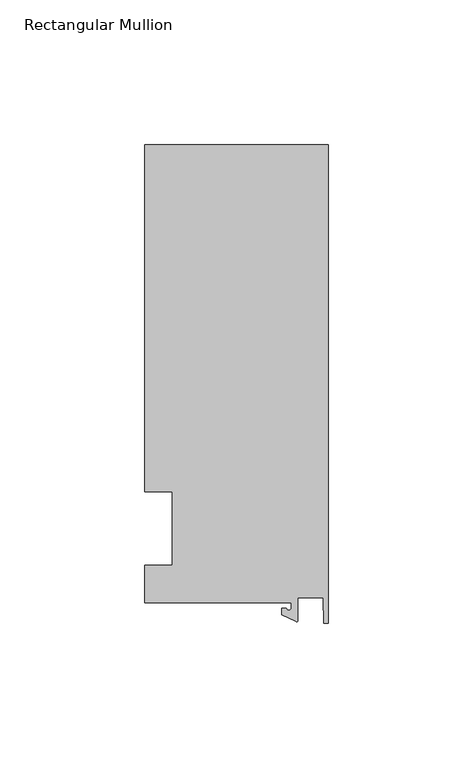
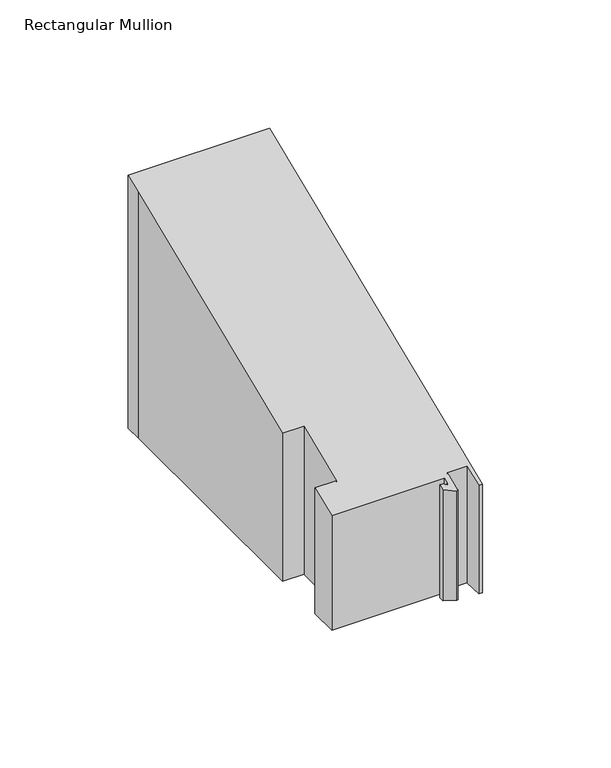
"""IFC4 building model written with IfcOpenShell, lengths in millimetres: member geometry, Rectangular Mullion."""

from ifc_helpers import new_model, si_unit, frame, origin, place, context, project, spatial, polyline, circle_curve, ellipse_curve, source, transform, mapped, element, save
from ifc_brep_helpers import plane_surface, cylinder_surface, revolved_surface, advanced_brep


def rectangular_mullion_ae9329bf(model_context):
    return source(origin(), model_context, "Body", "AdvancedBrep", [
        advanced_brep(
        [(-12.8216721, -25.5984375, -65.0875), (-63.5, -25.5984375, -65.0875), (-63.5, -12.7, -65.0875), (-53.975, -12.7, -65.0875), (-53.975, 12.7, -65.0875), (-63.5, 12.7, -65.0875), (-63.5, 125.075512, -65.0875), (-63.5, 132.822512, -65.0875), (0.0, 132.822512, -65.0875), (0.0, -32.810012, -65.0875), (-1.5566453, -32.810012, -65.0875), (-1.7144124, -23.9227662, -65.0875), (-10.4340721, -23.9227662, -65.0875), (-10.4340721, -31.6795354, -65.0875), (-11.1567622, -32.1399398, -65.0875), (-15.9966721, -29.8830527, -65.0875), (-15.9966721, -27.5208534, -65.0875), (-14.4091721, -27.5208534, -65.0875), (-12.8216721, -27.5208534, -65.0875), (-12.8216721, -27.5208534, -11.3995107), (-12.8216721, -25.5984375, -10.60322), (-14.4091721, -27.5208534, -11.3995107), (-15.9966721, -27.5208534, -11.3995107), (-15.9966721, -29.8830527, -12.3779657), (-11.1567622, -32.1399398, -13.312799), (-10.4340721, -31.6795354, -13.1220932), (-10.4340721, -23.9227662, -9.9091342), (-1.7144124, -23.9227662, -9.9091342), (-1.5566453, -32.810012, -13.5903519), (0.0, -32.810012, -13.5903519), (0.0, 132.822512, 55.0168859), (-63.5, 132.822512, 55.0168859), (-63.5, 125.075512, 51.8079734), (-63.5, 12.7, 5.2605122), (-53.975, 12.7, 5.2605122), (-53.975, -12.7, -5.2605122), (-63.5, -12.7, -5.2605122), (-63.5, -25.5984375, -10.60322)],
        [
            (0, 1),
            (1, 2),
            (2, 3),
            (3, 4),
            (4, 5),
            (5, 6),
            (6, 7),
            (7, 8),
            (8, 9),
            (9, 10),
            (10, 11),
            (11, 12),
            (12, 13),
            (13, 14, circle_curve(frame((-10.9420721, -31.6795354, -65.0875), z_axis=(0.0, 0.0, -1.0), x_axis=(-1.0, 0.0, 0.0)), 0.508)),
            (14, 15),
            (15, 16),
            (16, 17),
            (17, 18, circle_curve(frame((-13.6154221, -27.5208534, -65.0875), z_axis=(0.0, 0.0, 1.0), x_axis=(-1.0, 0.0, 0.0)), 0.79375)),
            (18, 0),
            (19, 20),
            (20, 0),
            (18, 19),
            (21, 19, ellipse_curve(frame((-13.6154221, -27.5208534, -11.3995107), z_axis=(0.0, -0.3826834323650925, 0.9238795325112856), x_axis=(0.0, -0.9238795325112857, -0.38268343236509245)), 0.8591488, 0.79375)),
            (17, 21),
            (22, 21),
            (16, 22),
            (23, 22),
            (15, 23),
            (24, 23),
            (14, 24),
            (25, 24, ellipse_curve(frame((-10.9420721, -31.6795354, -13.1220932), z_axis=(0.0, 0.3826834323650925, -0.9238795325112856), x_axis=(0.0, 0.9238795325112857, 0.38268343236509245)), 0.5498552, 0.508)),
            (13, 25),
            (26, 25),
            (12, 26),
            (27, 26),
            (11, 27),
            (28, 27),
            (10, 28),
            (29, 28),
            (9, 29),
            (30, 29),
            (8, 30),
            (31, 30),
            (7, 31),
            (32, 31),
            (6, 32),
            (33, 32),
            (5, 33),
            (34, 33),
            (4, 34),
            (35, 34),
            (3, 35),
            (36, 35),
            (2, 36),
            (37, 36),
            (1, 37),
            (20, 37),
        ],
        [
            plane_surface(frame((0.0, -147.2211591, -65.0875), z_axis=(0.0, 0.0, -1.0), x_axis=(-1.0, 0.0, 0.0))),
            plane_surface(frame((-12.8216721, -25.5984375, 0.0), z_axis=(-1.0, 0.0, 0.0), x_axis=(0.0, 0.0, -1.0))),
            revolved_surface(polyline([(-14.4091721, -27.5208534, -65.0875), (-14.4091721, -27.5208534, -11.07072868830365)]), (-13.6154221, -27.5208534, 0.0), (0.0, 0.0, -1.0)),
            plane_surface(frame((-14.4091721, -27.5208534, 0.0), z_axis=(0.0, 1.0, 0.0), x_axis=(0.0, 0.0, -1.0))),
            plane_surface(frame((-15.9966721, -27.5208534, 0.0), z_axis=(-1.0, 0.0, 0.0), x_axis=(0.0, 0.0, -1.0))),
            plane_surface(frame((-15.9966721, -29.8830527, 0.0), z_axis=(-0.4226182617406985, -0.9063077870366505, 0.0), x_axis=(0.0, 0.0, -1.0))),
            cylinder_surface(frame((-10.9420721, -31.6795354, 0.0), z_axis=(0.0, 0.0, 1.0), x_axis=(-1.0, 0.0, 0.0)), 0.508),
            plane_surface(frame((-10.4340721, -31.6795354, 0.0), z_axis=(1.0, 0.0, 0.0), x_axis=(0.0, 0.0, -1.0))),
            plane_surface(frame((-10.4340721, -23.9227662, 0.0), z_axis=(0.0, -1.0, 0.0), x_axis=(0.0, 0.0, -1.0))),
            plane_surface(frame((-1.7144124, -23.9227662, 0.0), z_axis=(-0.9998424690407919, -0.017749284560600327, 0.0), x_axis=(0.0, 0.0, -1.0))),
            plane_surface(frame((-1.5566453, -32.810012, 0.0), z_axis=(0.0, -1.0, 0.0), x_axis=(0.0, 0.0, -1.0))),
            plane_surface(frame((0.0, -32.810012, 0.0), z_axis=(1.0, 0.0, 0.0), x_axis=(0.0, 0.0, -1.0))),
            plane_surface(frame((0.0, 132.822512, 0.0), z_axis=(0.0, 1.0, 0.0), x_axis=(0.0, 0.0, -1.0))),
            plane_surface(frame((-63.5, 132.822512, 0.0), z_axis=(-1.0, 0.0, 0.0), x_axis=(0.0, 0.0, -1.0))),
            plane_surface(frame((-63.5, 125.075512, 0.0), z_axis=(-1.0, 0.0, 0.0), x_axis=(0.0, 0.0, -1.0))),
            plane_surface(frame((-63.5, 12.7, 0.0), z_axis=(0.0, -1.0, 0.0), x_axis=(0.0, 0.0, -1.0))),
            plane_surface(frame((-53.975, 12.7, 0.0), z_axis=(-1.0, 0.0, 0.0), x_axis=(0.0, 0.0, -1.0))),
            plane_surface(frame((-53.975, -12.7, 0.0), z_axis=(0.0, 1.0, 0.0), x_axis=(0.0, 0.0, -1.0))),
            plane_surface(frame((-63.5, -12.7, 0.0), z_axis=(-1.0, 0.0, 0.0), x_axis=(0.0, 0.0, -1.0))),
            plane_surface(frame((-63.5, -25.5984375, 0.0), z_axis=(0.0, -1.0, 0.0), x_axis=(0.0, 0.0, -1.0))),
            plane_surface(frame((304.8, 0.0, 0.0), z_axis=(0.0, -0.3826834323650925, 0.9238795325112856), x_axis=(0.0, -0.9238795325112856, -0.3826834323650925))),
        ],
        [
            (0, [[1, 2, 3, 4, 5, 6, 7, 8, 9, 10, 11, 12, 13, 14, 15, 16, 17, 18, 19]]),
            (1, [[20, 21, -19, 22]]),
            (2, [[23, -22, -18, 24]]),
            (3, [[25, -24, -17, 26]]),
            (4, [[27, -26, -16, 28]]),
            (5, [[29, -28, -15, 30]]),
            (6, [[31, -30, -14, 32]]),
            (7, [[33, -32, -13, 34]]),
            (8, [[35, -34, -12, 36]]),
            (9, [[37, -36, -11, 38]]),
            (10, [[39, -38, -10, 40]]),
            (11, [[41, -40, -9, 42]]),
            (12, [[43, -42, -8, 44]]),
            (13, [[45, -44, -7, 46]]),
            (14, [[47, -46, -6, 48]]),
            (15, [[49, -48, -5, 50]]),
            (16, [[51, -50, -4, 52]]),
            (17, [[53, -52, -3, 54]]),
            (18, [[55, -54, -2, 56]]),
            (19, [[57, -56, -1, -21]]),
            (20, [[-20, -23, -25, -27, -29, -31, -33, -35, -37, -39, -41, -43, -45, -47, -49, -51, -53, -55, -57]]),
        ],
    ),
    ])


if __name__ == "__main__":
    model = new_model("IFC4")
    model_context = context("Model", 3, world=origin())
    ifc_project = project(units=[si_unit("LENGTHUNIT", "METRE", prefix="MILLI")], contexts=[model_context])
    site = spatial("IfcSite", under=ifc_project)
    building = spatial("IfcBuilding", under=site)
    placement = place(None, origin())
    rectangular_mullion_shape = rectangular_mullion_ae9329bf(model_context)
    element("IfcMember", 1, ObjectType="Rectangular Mullion", at=placement, inside=building, context=model_context, shape_type="MappedRepresentation", body=[
        mapped(rectangular_mullion_shape, transform((0.0, 0.0, 0.0), x_axis=(1.0, 0.0, 0.0), y_axis=(0.0, 1.0, 0.0), z_axis=(0.0, 0.0, 1.0))),
    ])
    save(model, "model.ifc")
